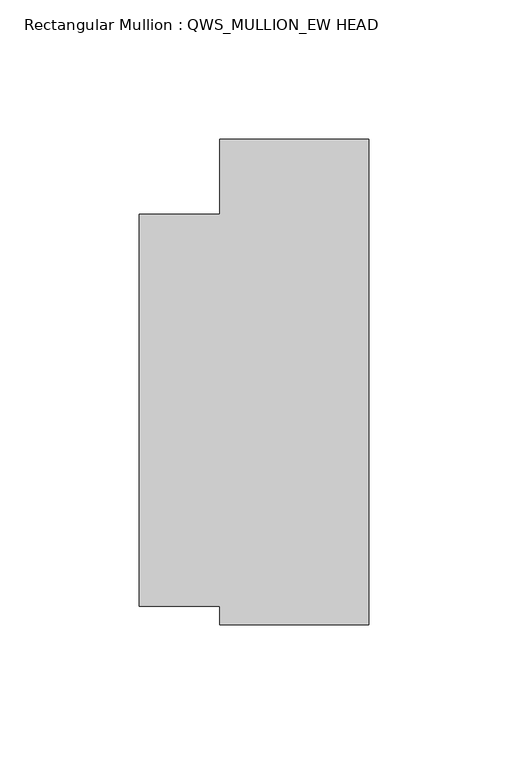
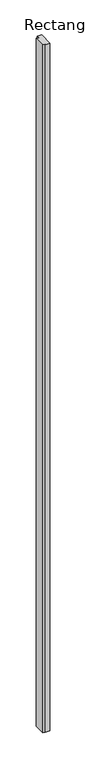
"""IFC4 building model written with IfcOpenShell, lengths in millimetres: member geometry, Rectangular Mullion : QWS_MULLION_EW HEAD."""

from ifc_helpers import new_model, si_unit, frame, origin, place, context, project, spatial, polyline, outline, extrude, source, transform, mapped, element, save


def rectangular_mullion_qws_mullion_ew_head_895bf521(model_context):
    return source(origin(), model_context, "Body", "SweptSolid", [
        extrude(outline(polyline([(-53.6296796, 52.0998485), (-53.6296796, 79.0368628), (0.0, 79.0368628), (0.0, -95.5153725), (-53.6295708, -95.5153725), (-53.6295708, -88.9), (-82.5499489, -88.9), (-82.5499489, 52.0998485), (-53.6296796, 52.0998485)])), frame((0.0, 0.0, -8914.4770724), z_axis=(0.0, 0.0, 1.0), x_axis=(1.0, 0.0, 0.0)), (0.0, 0.0, 1.0), 8914.4770724),
    ])


if __name__ == "__main__":
    model = new_model("IFC4")
    model_context = context("Model", 3, world=origin())
    ifc_project = project(units=[si_unit("LENGTHUNIT", "METRE", prefix="MILLI")], contexts=[model_context])
    site = spatial("IfcSite", under=ifc_project)
    building = spatial("IfcBuilding", under=site)
    placement = place(None, origin())
    rectangular_mullion_qws_mullion_ew_head_shape = rectangular_mullion_qws_mullion_ew_head_895bf521(model_context)
    element("IfcMember", 1, ObjectType="Rectangular Mullion : QWS_MULLION_EW HEAD", at=placement, inside=building, context=model_context, shape_type="MappedRepresentation", body=[
        mapped(rectangular_mullion_qws_mullion_ew_head_shape, transform((0.0, 0.0, 0.0), x_axis=(1.0, 0.0, 0.0), y_axis=(0.0, 1.0, 0.0), z_axis=(0.0, 0.0, 1.0))),
    ])
    save(model, "model.ifc")
